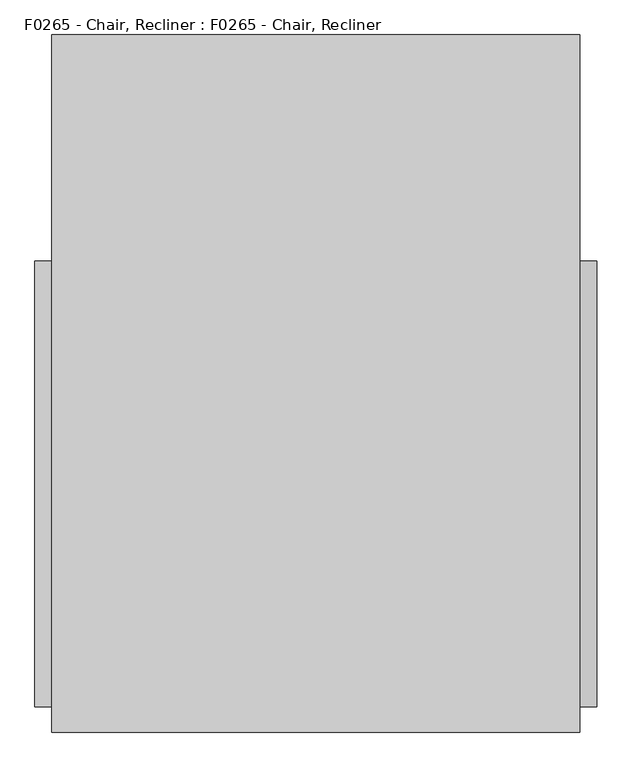
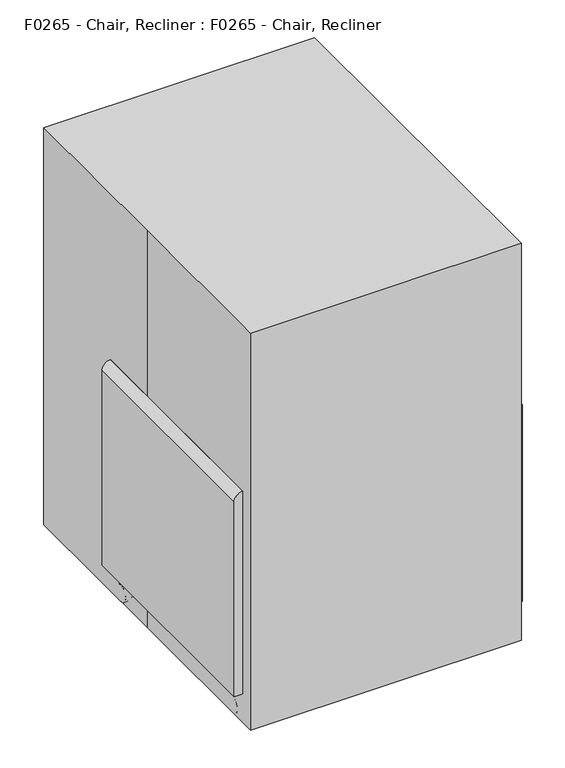
"""IFC4 building model written with IfcOpenShell, lengths in millimetres: proxy geometry, F0265 - Chair, Recliner : F0265 - Chair, Recliner."""

import ifcopenshell
import ifcopenshell.guid

model = None  # the IFC model being written
_history = None  # IfcOwnerHistory: only IFC2X3 demands one
_inside = {}  # id of a spatial element -> (the spatial element, [elements in it])
_under = {}  # id of a project, library or spatial element -> (it, [spatial elements below it])
_declared = {}  # id of a project -> (the project, [libraries it declares])
_typed = {}  # id of a type object -> (the type object, [elements of that type])
_made_of = {}  # id of a material, layer set ... -> (it, [elements and type objects made of it])


def new_model(schema):
    """Start an empty IFC model of exactly this schema.

    Asked for "IFC4X3", IfcOpenShell would pick the latest addendum, in which some entities
    have other attributes; the version numbers below select the first issue.
    IFC2X3 requires an IfcOwnerHistory on every rooted entity: one is made here for all.
    """
    global model, _history
    if schema == "IFC4X3":
        model = ifcopenshell.file(schema_version=(4, 3, 0, 0))
    else:
        model = ifcopenshell.file(schema=schema)
    _inside.clear()
    _under.clear()
    _declared.clear()
    _typed.clear()
    _made_of.clear()
    _history = None
    if model.schema == "IFC2X3":
        org = make("IfcOrganization", Name="unknown")
        user = make(
            "IfcPersonAndOrganization",
            ThePerson=make("IfcPerson", FamilyName="unknown"),
            TheOrganization=org,
        )
        app = make(
            "IfcApplication",
            ApplicationDeveloper=org,
            Version="unknown",
            ApplicationFullName="unknown",
            ApplicationIdentifier="unknown",
        )
        _history = make(
            "IfcOwnerHistory",
            OwningUser=user,
            OwningApplication=app,
            ChangeAction="ADDED",
            CreationDate=0,
        )
    return model


def make(cls, **values):
    """One entity of the class cls with the attributes given. An attribute that is None is left unset."""
    return model.create_entity(
        cls, **{name: value for name, value in values.items() if value is not None}
    )


def rooted(cls, **values):
    """An entity with a GlobalId (a new one), such as an element, a storey or a relation."""
    return make(cls, GlobalId=ifcopenshell.guid.new(), OwnerHistory=_history, **values)


def si_unit(unit_type, name, prefix=None):
    """IfcSIUnit, for example si_unit("LENGTHUNIT", "METRE", prefix="MILLI")."""
    return make("IfcSIUnit", UnitType=unit_type, Prefix=prefix, Name=name)


def assignment(units):
    """IfcUnitAssignment: the units of a project."""
    return None if units is None else make("IfcUnitAssignment", Units=units)


def point(xyz):
    """IfcCartesianPoint."""
    return None if xyz is None else make("IfcCartesianPoint", Coordinates=xyz)


def direction(xyz):
    """IfcDirection."""
    return None if xyz is None else make("IfcDirection", DirectionRatios=xyz)


def frame(location, z_axis=None, x_axis=None):
    """IfcAxis2Placement3D, a coordinate frame: its origin and axes. An axis left out is left unset."""
    return make(
        "IfcAxis2Placement3D",
        Location=point(location),
        Axis=direction(z_axis),
        RefDirection=direction(x_axis),
    )


def frame_2d(location, x_axis=None):
    """IfcAxis2Placement2D, a coordinate frame in the plane: its origin and x axis."""
    return make(
        "IfcAxis2Placement2D", Location=point(location), RefDirection=direction(x_axis)
    )


def origin():
    """The frame at (0, 0, 0) with its axes left unset."""
    return frame((0.0, 0.0, 0.0))


def origin_with_axes():
    """The frame at (0, 0, 0) with the z axis (0, 0, 1) and the x axis (1, 0, 0) written out."""
    return frame((0.0, 0.0, 0.0), z_axis=(0.0, 0.0, 1.0), x_axis=(1.0, 0.0, 0.0))


def place(relative_to, where):
    """IfcLocalPlacement: puts the frame where relative to a parent placement (None: the world)."""
    return make(
        "IfcLocalPlacement", PlacementRelTo=relative_to, RelativePlacement=where
    )


def context(
    kind, dimensions, precision=None, world=None, true_north=None, identifier=None
):
    """IfcGeometricRepresentationContext, for example the 3D "Model" context."""
    return make(
        "IfcGeometricRepresentationContext",
        ContextIdentifier=identifier,
        ContextType=kind,
        CoordinateSpaceDimension=dimensions,
        Precision=precision,
        WorldCoordinateSystem=world,
        TrueNorth=true_north,
    )


def project(units=None, contexts=None):
    """IfcProject with its units and contexts."""
    return rooted(
        "IfcProject",
        Name="project",
        RepresentationContexts=contexts,
        UnitsInContext=assignment(units),
    )


def spatial(cls, under=None, at=None, **own):
    """A site, building, storey or space (cls), placed at a placement, below another one or the project."""
    s = rooted(cls, ObjectPlacement=at, **own)
    if under is not None:
        _under.setdefault(under.id(), (under, []))[1].append(s)
    return s


def polyline(points):
    """IfcPolyline through the points."""
    return make("IfcPolyline", Points=[point(p) for p in points])


def circle_curve(where, radius):
    """IfcCircle in the frame where."""
    return make("IfcCircle", Position=where, Radius=radius)


def trimmed(basis, trim1, trim2, sense, master):
    """IfcTrimmedCurve: the piece of a basis curve between two trims."""
    return make(
        "IfcTrimmedCurve",
        BasisCurve=basis,
        Trim1=trim1,
        Trim2=trim2,
        SenseAgreement=sense,
        MasterRepresentation=master,
    )


def segment(curve, same_sense, transition):
    """IfcCompositeCurveSegment."""
    return make(
        "IfcCompositeCurveSegment",
        Transition=transition,
        SameSense=same_sense,
        ParentCurve=curve,
    )


def composite_curve(segments, self_intersect=None):
    """IfcCompositeCurve: segments joined end to end."""
    return make("IfcCompositeCurve", Segments=segments, SelfIntersect=self_intersect)


def outline(outer, holes=None, kind="AREA"):
    """IfcArbitraryClosedProfileDef: a profile drawn as a closed curve; with holes, ...WithVoids."""
    if holes is None:
        return make("IfcArbitraryClosedProfileDef", ProfileType=kind, OuterCurve=outer)
    return make(
        "IfcArbitraryProfileDefWithVoids",
        ProfileType=kind,
        OuterCurve=outer,
        InnerCurves=holes,
    )


def extrude(swept, where, along, depth):
    """IfcExtrudedAreaSolid: the profile swept, set in the frame where, extruded along a direction by depth."""
    return make(
        "IfcExtrudedAreaSolid",
        SweptArea=swept,
        Position=where,
        ExtrudedDirection=direction(along),
        Depth=depth,
    )


def shape(context_of_items, identifier, shape_type, items):
    """IfcShapeRepresentation: the items that make up one representation, for example the "Body"."""
    return make(
        "IfcShapeRepresentation",
        ContextOfItems=context_of_items,
        RepresentationIdentifier=identifier,
        RepresentationType=shape_type,
        Items=items,
    )


def source(mapping_origin, context_of_items, identifier, shape_type, items):
    """IfcRepresentationMap: a shape defined once, which mapped items show again and again."""
    return make(
        "IfcRepresentationMap",
        MappingOrigin=mapping_origin,
        MappedRepresentation=shape(context_of_items, identifier, shape_type, items),
    )


def transform(
    local_origin,
    x_axis=None,
    y_axis=None,
    z_axis=None,
    scale=None,
    scale2=None,
    scale3=None,
    uniform=True,
):
    """IfcCartesianTransformationOperator3D, or its non-uniform kind. x_axis, y_axis, z_axis: its Axis1, 2, 3."""
    if uniform:
        return make(
            "IfcCartesianTransformationOperator3D",
            Axis1=direction(x_axis),
            Axis2=direction(y_axis),
            LocalOrigin=point(local_origin),
            Scale=scale,
            Axis3=direction(z_axis),
        )
    return make(
        "IfcCartesianTransformationOperator3DnonUniform",
        Axis1=direction(x_axis),
        Axis2=direction(y_axis),
        LocalOrigin=point(local_origin),
        Scale=scale,
        Axis3=direction(z_axis),
        Scale2=scale2,
        Scale3=scale3,
    )


def mapped(mapping_source, mapping_target):
    """IfcMappedItem: shows the shape of a source again, moved by a transform."""
    return make(
        "IfcMappedItem", MappingSource=mapping_source, MappingTarget=mapping_target
    )


def made_of(thing, what):
    """Note that an element or type object is made of a material, layer set ...; save() writes the relation."""
    if what is not None:
        _made_of.setdefault(what.id(), (what, []))[1].append(thing)
    return thing


def element(
    cls,
    number,
    at=None,
    inside=None,
    cuts=None,
    type_object=None,
    material=None,
    context=None,
    identifier="Body",
    shape_type=None,
    held_by="IfcProductDefinitionShape",
    body=None,
    shapes=None,
    **own,
):
    """One element of the class cls, such as IfcWall. Its Tag is "e" and its number.

    at: its placement. inside: the storey or other place that contains it. cuts: it is an
    opening in that element (IfcRelVoidsElement). A single representation is given by context,
    identifier, shape_type and body (its items); several are given by shapes. held_by: the class
    of the entity that holds the representations. save() writes the other relations.
    """
    e = rooted(cls, Tag="e%d" % number, ObjectPlacement=at, **own)
    if body is not None:
        shapes = [shape(context, identifier, shape_type, body)]
    if shapes is not None:
        e.Representation = make(held_by, Representations=shapes)
    if inside is not None:
        _inside.setdefault(inside.id(), (inside, []))[1].append(e)
    if cuts is not None:
        rooted(
            "IfcRelVoidsElement", RelatingBuildingElement=cuts, RelatedOpeningElement=e
        )
    if type_object is not None:
        _typed.setdefault(type_object.id(), (type_object, []))[1].append(e)
    return made_of(e, material)


def aggregate(whole, parts):
    """IfcRelAggregates: a whole, such as a stair, and the parts it consists of."""
    return rooted("IfcRelAggregates", RelatingObject=whole, RelatedObjects=parts)


def save(model, path):
    """Write the relations noted so far, then the file.

    IfcRelAggregates (storeys below a building ...), IfcRelContainedInSpatialStructure (elements
    in a storey), IfcRelDefinesByType, IfcRelAssociatesMaterial and IfcRelDeclares: one each for
    every whole, place, type object, material and project.
    """
    for whole, parts in _under.values():
        aggregate(whole, parts)
    for where, things in _inside.values():
        rooted(
            "IfcRelContainedInSpatialStructure",
            RelatedElements=things,
            RelatingStructure=where,
        )
    for kind, things in _typed.values():
        rooted("IfcRelDefinesByType", RelatedObjects=things, RelatingType=kind)
    for what, things in _made_of.values():
        rooted("IfcRelAssociatesMaterial", RelatedObjects=things, RelatingMaterial=what)
    for by, libraries in _declared.values():
        rooted("IfcRelDeclares", RelatingContext=by, RelatedDefinitions=libraries)
    model.write(path)


def f0265_chair_recliner_f0265_chair_recliner_e37b9917(model_context):
    return source(origin(), model_context, "Body", "SweptSolid", [
        extrude(outline(polyline([(-393.7, 520.7), (393.7, 520.7), (393.7, -520.7), (-393.7, -520.7), (-393.7, 0.0), (-393.7, 520.7)])), origin_with_axes(), (0.0, 0.0, 1.0), 1219.2),
        extrude(outline(composite_curve([segment(trimmed(circle_curve(frame_2d((279.4, -12.7)), 50.8), [point((279.4, 38.1))], [point((330.2, -12.7))], False, "CARTESIAN"), True, "CONTINUOUS"), segment(polyline([(330.2, -12.7), (330.2, -431.8)]), True, "CONTINUOUS"), segment(trimmed(circle_curve(frame_2d((279.4, -431.8)), 50.8), [point((330.2, -431.8))], [point((279.4, -482.6))], False, "CARTESIAN"), True, "CONTINUOUS"), segment(polyline([(279.4, -482.6), (-279.4, -482.6)]), True, "CONTINUOUS"), segment(trimmed(circle_curve(frame_2d((-279.4, -431.8)), 50.8), [point((-279.4, -482.6))], [point((-330.2, -431.8))], False, "CARTESIAN"), True, "CONTINUOUS"), segment(polyline([(-330.2, -431.8), (-330.2, -12.7)]), True, "CONTINUOUS"), segment(trimmed(circle_curve(frame_2d((-279.4, -12.7)), 50.8), [point((-330.2, -12.7))], [point((-279.4, 38.1))], False, "CARTESIAN"), True, "CONTINUOUS"), segment(polyline([(-279.4, 38.1), (279.4, 38.1)]), True, "CONTINUOUS")], self_intersect=False)), frame((0.0, 0.0, 419.1), z_axis=(0.0, 0.0, 1.0), x_axis=(1.0, 0.0, 0.0)), (0.0, 0.0, 1.0), 101.6),
        extrude(outline(composite_curve([segment(polyline([(406.4, 269.6121072), (406.4, -266.7)]), True, "CONTINUOUS"), segment(trimmed(circle_curve(frame_2d((355.6, -266.7)), 50.8), [point((406.4, -266.7))], [point((355.6, -317.5))], False, "CARTESIAN"), True, "CONTINUOUS"), segment(polyline([(355.6, -317.5), (139.7, -317.5)]), True, "CONTINUOUS"), segment(trimmed(circle_curve(frame_2d((139.7, -266.7)), 50.8), [point((139.7, -317.5))], [point((88.9, -266.7))], False, "CARTESIAN"), True, "CONTINUOUS"), segment(polyline([(88.9, -266.7), (88.9, 269.6121072)]), True, "CONTINUOUS"), segment(trimmed(circle_curve(frame_2d((139.7, 269.6121072)), 50.8), [point((88.9, 269.6121072))], [point((139.7, 320.4121072))], False, "CARTESIAN"), True, "CONTINUOUS"), segment(polyline([(139.7, 320.4121072), (355.6, 320.4121072)]), True, "CONTINUOUS"), segment(trimmed(circle_curve(frame_2d((355.6, 269.6121072)), 50.8), [point((355.6, 320.4121072))], [point((406.4, 269.6121072))], False, "CARTESIAN"), True, "CONTINUOUS")], self_intersect=False)), frame((0.0, -482.6, 0.0), z_axis=(0.0, 1.0, 0.0), x_axis=(0.0, 0.0, 1.0)), (0.0, 0.0, 1.0), 101.6),
        extrude(outline(composite_curve([segment(polyline([(711.2, -355.6), (711.2, -393.7)]), True, "CONTINUOUS"), segment(trimmed(circle_curve(frame_2d((685.8, -393.7)), 25.4), [point((711.2, -393.7))], [point((685.8, -419.1))], False, "CARTESIAN"), True, "CONTINUOUS"), segment(polyline([(685.8, -419.1), (88.9, -419.1), (88.9, -330.2), (685.8, -330.2)]), True, "CONTINUOUS"), segment(trimmed(circle_curve(frame_2d((685.8, -355.6)), 25.4), [point((685.8, -330.2))], [point((711.2, -355.6))], False, "CARTESIAN"), True, "CONTINUOUS")], self_intersect=False)), frame((0.0, -482.6, 0.0), z_axis=(0.0, 1.0, 0.0), x_axis=(0.0, 0.0, 1.0)), (0.0, 0.0, 1.0), 665.429858),
        extrude(outline(composite_curve([segment(polyline([(711.2, 393.7), (711.2, 355.6)]), True, "CONTINUOUS"), segment(trimmed(circle_curve(frame_2d((685.8, 355.6)), 25.4), [point((711.2, 355.6))], [point((685.8, 330.2))], False, "CARTESIAN"), True, "CONTINUOUS"), segment(polyline([(685.8, 330.2), (88.9, 330.2), (88.9, 419.1), (685.8, 419.1)]), True, "CONTINUOUS"), segment(trimmed(circle_curve(frame_2d((685.8, 393.7)), 25.4), [point((685.8, 419.1))], [point((711.2, 393.7))], False, "CARTESIAN"), True, "CONTINUOUS")], self_intersect=False)), frame((0.0, -482.6, 0.0), z_axis=(0.0, 1.0, 0.0), x_axis=(0.0, 0.0, 1.0)), (0.0, 0.0, 1.0), 665.429858),
        extrude(outline(composite_curve([segment(polyline([(111.703548, 399.3779888), (62.634516, 412.5259963)]), True, "CONTINUOUS"), segment(trimmed(circle_curve(frame_2d((69.2085197, 437.0605122)), 25.4), [point((62.634516, 412.5259963))], [point((44.6740037, 443.634516))], False, "CARTESIAN"), True, "CONTINUOUS"), segment(polyline([(44.6740037, 443.634516), (235.8233241, 1157.0134915)]), True, "CONTINUOUS"), segment(trimmed(circle_curve(frame_2d((260.3578401, 1150.4394878)), 25.4), [point((235.8233241, 1157.0134915))], [point((266.9318439, 1174.9740037))], False, "CARTESIAN"), True, "CONTINUOUS"), segment(polyline([(266.9318439, 1174.9740037), (316.0008758, 1161.8259963)]), True, "CONTINUOUS"), segment(trimmed(circle_curve(frame_2d((309.4268721, 1137.2914803)), 25.4), [point((316.0008758, 1161.8259963))], [point((333.9613881, 1130.7174765))], False, "CARTESIAN"), True, "CONTINUOUS"), segment(polyline([(333.9613881, 1130.7174765), (142.8120677, 417.338501)]), True, "CONTINUOUS"), segment(trimmed(circle_curve(frame_2d((118.2775517, 423.9125048)), 25.4), [point((142.8120677, 417.338501))], [point((111.703548, 399.3779888))], False, "CARTESIAN"), True, "CONTINUOUS")], self_intersect=False)), frame((-330.2, 0.0, 0.0), z_axis=(1.0, 0.0, 0.0), x_axis=(0.0, 1.0, 0.0)), (0.0, 0.0, 1.0), 660.4),
        extrude(outline(polyline([(330.2, 182.829858), (330.2, 132.029858), (-330.2, 132.029858), (-330.2, 182.829858), (330.2, 182.829858)])), frame((0.0, 0.0, 88.9), z_axis=(0.0, 0.0, 1.0), x_axis=(1.0, 0.0, 0.0)), (0.0, 0.0, 1.0), 330.2),
        extrude(outline(composite_curve([segment(trimmed(circle_curve(frame_2d((-430.2125, 25.4)), 25.4), [point((-404.8125, 25.4))], [point((-455.6125, 25.4))], False, "CARTESIAN"), True, "CONTINUOUS"), segment(trimmed(circle_curve(frame_2d((-430.2125, 25.4)), 25.4), [point((-455.6125, 25.4))], [point((-404.8125, 25.4))], False, "CARTESIAN"), True, "CONTINUOUS")], self_intersect=False)), frame((384.175, 0.0, 0.0), z_axis=(1.0, 0.0, 0.0), x_axis=(0.0, 1.0, 0.0)), (0.0, 0.0, 1.0), 9.525),
        extrude(outline(composite_curve([segment(trimmed(circle_curve(frame_2d((-430.2125, 25.4)), 19.05), [point((-449.2625, 25.4))], [point((-411.1625, 25.4))], False, "CARTESIAN"), True, "CONTINUOUS"), segment(trimmed(circle_curve(frame_2d((-430.2125, 25.4)), 19.05), [point((-411.1625, 25.4))], [point((-449.2625, 25.4))], False, "CARTESIAN"), True, "CONTINUOUS")], self_intersect=False)), frame((365.125, 0.0, 0.0), z_axis=(1.0, 0.0, 0.0), x_axis=(0.0, 1.0, 0.0)), (0.0, 0.0, 1.0), 19.05),
        extrude(outline(composite_curve([segment(trimmed(circle_curve(frame_2d((374.65, -439.7375)), 7.9375), [point((366.7125, -439.7375))], [point((382.5875, -439.7375))], False, "CARTESIAN"), True, "CONTINUOUS"), segment(trimmed(circle_curve(frame_2d((374.65, -439.7375)), 7.9375), [point((382.5875, -439.7375))], [point((366.7125, -439.7375))], False, "CARTESIAN"), True, "CONTINUOUS")], self_intersect=False)), frame((0.0, 0.0, 24.4243927), z_axis=(0.0, 0.0, 1.0), x_axis=(1.0, 0.0, 0.0)), (0.0, 0.0, 1.0), 64.4756073),
        extrude(outline(composite_curve([segment(trimmed(circle_curve(frame_2d((-430.2125, 25.4)), 25.4), [point((-404.8125, 25.4))], [point((-455.6125, 25.4))], False, "CARTESIAN"), True, "CONTINUOUS"), segment(trimmed(circle_curve(frame_2d((-430.2125, 25.4)), 25.4), [point((-455.6125, 25.4))], [point((-404.8125, 25.4))], False, "CARTESIAN"), True, "CONTINUOUS")], self_intersect=False)), frame((355.6, 0.0, 0.0), z_axis=(1.0, 0.0, 0.0), x_axis=(0.0, 1.0, 0.0)), (0.0, 0.0, 1.0), 9.525),
        extrude(outline(composite_curve([segment(trimmed(circle_curve(frame_2d((-430.2125, 25.4)), 25.4), [point((-404.8125, 25.4))], [point((-455.6125, 25.4))], False, "CARTESIAN"), True, "CONTINUOUS"), segment(trimmed(circle_curve(frame_2d((-430.2125, 25.4)), 25.4), [point((-455.6125, 25.4))], [point((-404.8125, 25.4))], False, "CARTESIAN"), True, "CONTINUOUS")], self_intersect=False)), frame((-393.7, 0.0, 0.0), z_axis=(1.0, 0.0, 0.0), x_axis=(0.0, 1.0, 0.0)), (0.0, 0.0, 1.0), 9.525),
        extrude(outline(composite_curve([segment(trimmed(circle_curve(frame_2d((-430.2125, 25.4)), 19.05), [point((-449.2625, 25.4))], [point((-411.1625, 25.4))], False, "CARTESIAN"), True, "CONTINUOUS"), segment(trimmed(circle_curve(frame_2d((-430.2125, 25.4)), 19.05), [point((-411.1625, 25.4))], [point((-449.2625, 25.4))], False, "CARTESIAN"), True, "CONTINUOUS")], self_intersect=False)), frame((-384.175, 0.0, 0.0), z_axis=(1.0, 0.0, 0.0), x_axis=(0.0, 1.0, 0.0)), (0.0, 0.0, 1.0), 19.05),
        extrude(outline(composite_curve([segment(trimmed(circle_curve(frame_2d((-374.65, -439.7375)), 7.9375), [point((-366.7125, -439.7375))], [point((-382.5875, -439.7375))], False, "CARTESIAN"), True, "CONTINUOUS"), segment(trimmed(circle_curve(frame_2d((-374.65, -439.7375)), 7.9375), [point((-382.5875, -439.7375))], [point((-366.7125, -439.7375))], False, "CARTESIAN"), True, "CONTINUOUS")], self_intersect=False)), frame((0.0, 0.0, 24.4243927), z_axis=(0.0, 0.0, 1.0), x_axis=(1.0, 0.0, 0.0)), (0.0, 0.0, 1.0), 64.4756073),
        extrude(outline(composite_curve([segment(trimmed(circle_curve(frame_2d((-430.2125, 25.4)), 25.4), [point((-404.8125, 25.4))], [point((-455.6125, 25.4))], False, "CARTESIAN"), True, "CONTINUOUS"), segment(trimmed(circle_curve(frame_2d((-430.2125, 25.4)), 25.4), [point((-455.6125, 25.4))], [point((-404.8125, 25.4))], False, "CARTESIAN"), True, "CONTINUOUS")], self_intersect=False)), frame((-365.125, 0.0, 0.0), z_axis=(1.0, 0.0, 0.0), x_axis=(0.0, 1.0, 0.0)), (0.0, 0.0, 1.0), 9.525),
        extrude(outline(composite_curve([segment(trimmed(circle_curve(frame_2d((131.7625, 25.4)), 25.4), [point((106.3625, 25.4))], [point((157.1625, 25.4))], False, "CARTESIAN"), True, "CONTINUOUS"), segment(trimmed(circle_curve(frame_2d((131.7625, 25.4)), 25.4), [point((157.1625, 25.4))], [point((106.3625, 25.4))], False, "CARTESIAN"), True, "CONTINUOUS")], self_intersect=False)), frame((384.175, 0.0, 0.0), z_axis=(1.0, 0.0, 0.0), x_axis=(0.0, 1.0, 0.0)), (0.0, 0.0, 1.0), 9.525),
        extrude(outline(composite_curve([segment(trimmed(circle_curve(frame_2d((131.7625, 25.4)), 19.05), [point((150.8125, 25.4))], [point((112.7125, 25.4))], False, "CARTESIAN"), True, "CONTINUOUS"), segment(trimmed(circle_curve(frame_2d((131.7625, 25.4)), 19.05), [point((112.7125, 25.4))], [point((150.8125, 25.4))], False, "CARTESIAN"), True, "CONTINUOUS")], self_intersect=False)), frame((365.125, 0.0, 0.0), z_axis=(1.0, 0.0, 0.0), x_axis=(0.0, 1.0, 0.0)), (0.0, 0.0, 1.0), 19.05),
        extrude(outline(composite_curve([segment(trimmed(circle_curve(frame_2d((374.65, 141.2875)), 7.9375), [point((366.7125, 141.2875))], [point((382.5875, 141.2875))], False, "CARTESIAN"), True, "CONTINUOUS"), segment(trimmed(circle_curve(frame_2d((374.65, 141.2875)), 7.9375), [point((382.5875, 141.2875))], [point((366.7125, 141.2875))], False, "CARTESIAN"), True, "CONTINUOUS")], self_intersect=False)), frame((0.0, 0.0, 24.4243927), z_axis=(0.0, 0.0, 1.0), x_axis=(1.0, 0.0, 0.0)), (0.0, 0.0, 1.0), 64.4756073),
        extrude(outline(composite_curve([segment(trimmed(circle_curve(frame_2d((131.7625, 25.4)), 25.4), [point((106.3625, 25.4))], [point((157.1625, 25.4))], False, "CARTESIAN"), True, "CONTINUOUS"), segment(trimmed(circle_curve(frame_2d((131.7625, 25.4)), 25.4), [point((157.1625, 25.4))], [point((106.3625, 25.4))], False, "CARTESIAN"), True, "CONTINUOUS")], self_intersect=False)), frame((355.6, 0.0, 0.0), z_axis=(1.0, 0.0, 0.0), x_axis=(0.0, 1.0, 0.0)), (0.0, 0.0, 1.0), 9.525),
        extrude(outline(composite_curve([segment(trimmed(circle_curve(frame_2d((131.7625, 25.4)), 25.4), [point((106.3625, 25.4))], [point((157.1625, 25.4))], False, "CARTESIAN"), True, "CONTINUOUS"), segment(trimmed(circle_curve(frame_2d((131.7625, 25.4)), 25.4), [point((157.1625, 25.4))], [point((106.3625, 25.4))], False, "CARTESIAN"), True, "CONTINUOUS")], self_intersect=False)), frame((-393.7, 0.0, 0.0), z_axis=(1.0, 0.0, 0.0), x_axis=(0.0, 1.0, 0.0)), (0.0, 0.0, 1.0), 9.525),
        extrude(outline(composite_curve([segment(trimmed(circle_curve(frame_2d((131.7625, 25.4)), 19.05), [point((150.8125, 25.4))], [point((112.7125, 25.4))], False, "CARTESIAN"), True, "CONTINUOUS"), segment(trimmed(circle_curve(frame_2d((131.7625, 25.4)), 19.05), [point((112.7125, 25.4))], [point((150.8125, 25.4))], False, "CARTESIAN"), True, "CONTINUOUS")], self_intersect=False)), frame((-384.175, 0.0, 0.0), z_axis=(1.0, 0.0, 0.0), x_axis=(0.0, 1.0, 0.0)), (0.0, 0.0, 1.0), 19.05),
        extrude(outline(composite_curve([segment(trimmed(circle_curve(frame_2d((-374.65, 141.2875)), 7.9375), [point((-366.7125, 141.2875))], [point((-382.5875, 141.2875))], False, "CARTESIAN"), True, "CONTINUOUS"), segment(trimmed(circle_curve(frame_2d((-374.65, 141.2875)), 7.9375), [point((-382.5875, 141.2875))], [point((-366.7125, 141.2875))], False, "CARTESIAN"), True, "CONTINUOUS")], self_intersect=False)), frame((0.0, 0.0, 24.4243927), z_axis=(0.0, 0.0, 1.0), x_axis=(1.0, 0.0, 0.0)), (0.0, 0.0, 1.0), 64.4756073),
        extrude(outline(composite_curve([segment(trimmed(circle_curve(frame_2d((131.7625, 25.4)), 25.4), [point((106.3625, 25.4))], [point((157.1625, 25.4))], False, "CARTESIAN"), True, "CONTINUOUS"), segment(trimmed(circle_curve(frame_2d((131.7625, 25.4)), 25.4), [point((157.1625, 25.4))], [point((106.3625, 25.4))], False, "CARTESIAN"), True, "CONTINUOUS")], self_intersect=False)), frame((-365.125, 0.0, 0.0), z_axis=(1.0, 0.0, 0.0), x_axis=(0.0, 1.0, 0.0)), (0.0, 0.0, 1.0), 9.525),
    ])


if __name__ == "__main__":
    model = new_model("IFC4")
    model_context = context("Model", 3, world=origin())
    ifc_project = project(units=[si_unit("LENGTHUNIT", "METRE", prefix="MILLI")], contexts=[model_context])
    site = spatial("IfcSite", under=ifc_project)
    building = spatial("IfcBuilding", under=site)
    placement = place(None, origin())
    f0265_chair_recliner_f0265_chair_recliner_shape = f0265_chair_recliner_f0265_chair_recliner_e37b9917(model_context)
    element("IfcBuildingElementProxy", 1, Name="F0265 - Chair, Recliner : F0265 - Chair, Recliner", ObjectType="F0265 - Chair, Recliner : F0265 - Chair, Recliner", at=placement, inside=building, context=model_context, shape_type="MappedRepresentation", body=[
        mapped(f0265_chair_recliner_f0265_chair_recliner_shape, transform((0.0, 0.0, 0.0), x_axis=(1.0, 0.0, 0.0), y_axis=(0.0, 1.0, 0.0), z_axis=(0.0, 0.0, 1.0))),
    ])
    save(model, "model.ifc")
